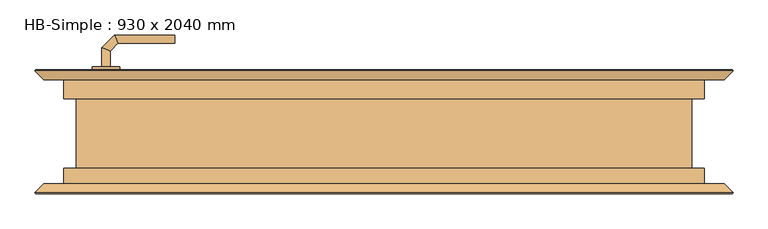
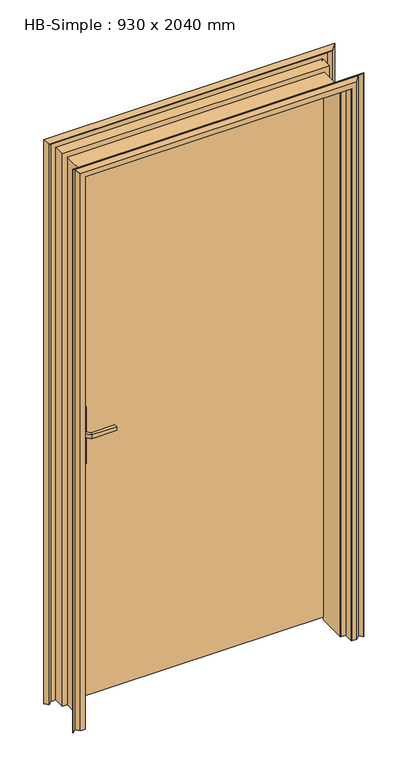
"""IFC4 building model written with IfcOpenShell, lengths in millimetres: door geometry, HB-Simple : 930 x 2040 mm."""

from ifc_helpers import new_model, si_unit, point, frame, frame_2d, origin, place, context, project, spatial, polyline, circle_curve, ellipse_curve, trimmed, segment, composite_curve, outline, extrude, faceted_brep, source, transform, mapped, element, save
from ifc_brep_helpers import plane_surface, cylinder_surface, advanced_brep


def hb_simple_930_x_2040_mm_c1d47870(model_context):
    return source(origin(), model_context, "Body", "SolidModel", [
        advanced_brep(
        [(-399.0, 45.0, 993.0), (-411.0, 45.0, 993.0), (-411.0, 45.0, 1007.0), (-399.0, 45.0, 1007.0), (-399.0, 22.5147955, 1007.0), (-399.0, 22.5147955, 993.0), (-411.0, 17.5442327, 1007.0), (-411.0, 17.5442327, 993.0), (-387.5147186, 11.0295141, 1007.0), (-387.5147186, 11.0295141, 993.0), (-392.4852814, -0.9704859, 1007.0), (-392.4852814, -0.9704859, 993.0), (-304.9542163, 11.0295141, 993.0), (-304.9542163, 11.0295141, 1007.0), (-304.9542163, -0.9704859, 1007.0), (-304.9542163, -0.9704859, 993.0)],
        [
            (0, 1, circle_curve(frame((-405.0, 45.0, 1013.0457722), z_axis=(0.0, 1.0, 0.0), x_axis=(-1.0, 0.0, 0.0)), 20.9244589)),
            (1, 2),
            (2, 3, circle_curve(frame((-405.0, 45.0, 986.9542278), z_axis=(0.0, 1.0, 0.0), x_axis=(-1.0, 0.0, 0.0)), 20.9244589)),
            (3, 0),
            (3, 4),
            (4, 5),
            (5, 0),
            (2, 6),
            (6, 4, ellipse_curve(frame((-405.0, 20.0295141, 986.9542278), z_axis=(-0.38268343236511726, 0.9238795325112753, 0.0), x_axis=(0.9238795325112752, 0.38268343236511776, 0.0)), 22.6484711, 20.9244589)),
            (1, 7),
            (7, 6),
            (5, 7, ellipse_curve(frame((-405.0, 20.0295141, 1013.0457722), z_axis=(-0.38268343236511726, 0.9238795325112753, 0.0), x_axis=(0.9238795325112752, 0.38268343236511776, 0.0)), 22.6484711, 20.9244589)),
            (4, 8),
            (8, 9),
            (9, 5),
            (6, 10),
            (10, 8, ellipse_curve(frame((-390.0, 5.0295141, 986.9542278), z_axis=(-0.9238795325112982, 0.38268343236506225, 0.0), x_axis=(0.3826834323650622, 0.9238795325112981, 0.0)), 22.6484711, 20.9244589)),
            (7, 11),
            (11, 10),
            (9, 11, ellipse_curve(frame((-390.0, 5.0295141, 1013.0457722), z_axis=(-0.9238795325112982, 0.38268343236506225, 0.0), x_axis=(0.3826834323650622, 0.9238795325112981, 0.0)), 22.6484711, 20.9244589)),
            (12, 13),
            (13, 14, circle_curve(frame((-304.9542163, 5.0295141, 986.9542278), z_axis=(1.0, 0.0, 0.0), x_axis=(0.0, -1.0, 0.0)), 20.9244589)),
            (14, 15),
            (15, 12, circle_curve(frame((-304.9542163, 5.0295141, 1013.0457722), z_axis=(1.0, 0.0, 0.0), x_axis=(0.0, -1.0, 0.0)), 20.9244589)),
            (8, 13),
            (12, 9),
            (10, 14),
            (11, 15),
        ],
        [
            plane_surface(frame((-414.2195445, 45.0, 1000.0), z_axis=(0.0, 1.0, 0.0), x_axis=(0.0, 0.0, 1.0))),
            plane_surface(frame((-399.0, 45.0, 993.0), z_axis=(1.0, 0.0, 0.0), x_axis=(0.0, -1.0, 0.0))),
            cylinder_surface(frame((-405.0, 45.0, 986.9542278), z_axis=(0.0, 1.0, 0.0), x_axis=(-1.0, 0.0, 0.0)), 20.9244589),
            plane_surface(frame((-411.0, 45.0, 1007.0), z_axis=(-1.0, 0.0, 0.0), x_axis=(0.0, -1.0, 0.0))),
            cylinder_surface(frame((-405.0, 45.0, 1013.0457722), z_axis=(0.0, 1.0, 0.0), x_axis=(-1.0, 0.0, 0.0)), 20.9244589),
            plane_surface(frame((-399.0, 22.5147955, 993.0), z_axis=(0.7071067811865118, 0.7071067811865832, 0.0), x_axis=(0.7071067811865832, -0.7071067811865118, 0.0))),
            cylinder_surface(frame((-405.0, 20.0295141, 986.9542278), z_axis=(-0.7071067811865832, 0.7071067811865118, 0.0), x_axis=(-0.7071067811865118, -0.7071067811865832, 0.0)), 20.9244589),
            plane_surface(frame((-411.0, 17.5442327, 1007.0), z_axis=(-0.7071067811865119, -0.7071067811865831, 0.0), x_axis=(0.7071067811865831, -0.7071067811865119, 0.0))),
            cylinder_surface(frame((-405.0, 20.0295141, 1013.0457722), z_axis=(-0.7071067811865832, 0.7071067811865118, 0.0), x_axis=(-0.7071067811865118, -0.7071067811865832, 0.0)), 20.9244589),
            plane_surface(frame((-304.9542163, 5.0295141, 990.7804555), z_axis=(1.0, 0.0, 0.0), x_axis=(0.0, -1.0, 0.0))),
            plane_surface(frame((-387.5147186, 11.0295141, 993.0), z_axis=(0.0, 1.0, 0.0), x_axis=(1.0, 0.0, 0.0))),
            cylinder_surface(frame((-390.0, 5.0295141, 986.9542278), z_axis=(-1.0, 0.0, 0.0), x_axis=(0.0, -1.0, 0.0)), 20.9244589),
            plane_surface(frame((-392.4852814, -0.9704859, 1007.0), z_axis=(0.0, -1.0, 0.0), x_axis=(1.0, 0.0, 0.0))),
            cylinder_surface(frame((-390.0, 5.0295141, 1013.0457722), z_axis=(-1.0, 0.0, 0.0), x_axis=(0.0, -1.0, 0.0)), 20.9244589),
        ],
        [
            (0, [[1, 2, 3, 4]]),
            (1, [[5, 6, 7, -4]]),
            (2, [[8, 9, -5, -3]]),
            (3, [[10, 11, -8, -2]]),
            (4, [[-7, 12, -10, -1]]),
            (5, [[13, 14, 15, -6]]),
            (6, [[16, 17, -13, -9]]),
            (7, [[18, 19, -16, -11]]),
            (8, [[-15, 20, -18, -12]]),
            (9, [[21, 22, 23, 24]]),
            (10, [[25, -21, 26, -14]]),
            (11, [[27, -22, -25, -17]]),
            (12, [[28, -23, -27, -19]]),
            (13, [[-26, -24, -28, -20]]),
        ],
    ),
        advanced_brep(
        [(-411.0, 95.0, 1007.0), (-411.0, 95.0, 993.0), (-399.0, 95.0, 993.0), (-399.0, 95.0, 1007.0), (-399.0, 117.680388, 1007.0), (-411.0, 122.6509507, 1007.0), (-399.0, 117.680388, 993.0), (-411.0, 122.6509507, 993.0), (-387.6522273, 129.0281607, 1007.0), (-392.62279, 141.0281607, 1007.0), (-387.6522273, 129.0281607, 993.0), (-392.62279, 141.0281607, 993.0), (-304.9813594, 141.0281607, 1007.0), (-304.9813594, 129.0281607, 1007.0), (-304.9813594, 129.0281607, 993.0), (-304.9813594, 141.0281607, 993.0)],
        [
            (0, 1),
            (1, 2, circle_curve(frame((-405.0, 95.0, 1013.0457722), z_axis=(0.0, -1.0, 0.0), x_axis=(1.0, 0.0, 0.0)), 20.9244589)),
            (2, 3),
            (3, 0, circle_curve(frame((-405.0, 95.0, 986.9542278), z_axis=(0.0, -1.0, 0.0), x_axis=(1.0, 0.0, 0.0)), 20.9244589)),
            (3, 4),
            (4, 5, ellipse_curve(frame((-405.0, 120.1656693, 986.9542278), z_axis=(-0.3826834323651007, -0.9238795325112821, 0.0), x_axis=(0.9238795325112822, -0.3826834323651012, 0.0)), 22.6484711, 20.9244589)),
            (5, 0),
            (2, 6),
            (6, 4),
            (1, 7),
            (7, 6, ellipse_curve(frame((-405.0, 120.1656693, 1013.0457722), z_axis=(-0.3826834323651007, -0.9238795325112821, 0.0), x_axis=(0.9238795325112822, -0.3826834323651012, 0.0)), 22.6484711, 20.9244589)),
            (5, 7),
            (4, 8),
            (8, 9, ellipse_curve(frame((-390.1375086, 135.0281607, 986.9542278), z_axis=(-0.9238795325112914, -0.3826834323650786, 0.0), x_axis=(0.38268343236507874, -0.9238795325112914, 0.0)), 22.6484711, 20.9244589)),
            (9, 5),
            (6, 10),
            (10, 8),
            (7, 11),
            (11, 10, ellipse_curve(frame((-390.1375086, 135.0281607, 1013.0457722), z_axis=(-0.9238795325112914, -0.3826834323650786, 0.0), x_axis=(0.38268343236507874, -0.9238795325112914, 0.0)), 22.6484711, 20.9244589)),
            (9, 11),
            (12, 13, circle_curve(frame((-304.9813594, 135.0281607, 986.9542278), z_axis=(1.0, 0.0, 0.0), x_axis=(0.0, -1.0, 0.0)), 20.9244589)),
            (13, 14),
            (14, 15, circle_curve(frame((-304.9813594, 135.0281607, 1013.0457722), z_axis=(1.0, 0.0, 0.0), x_axis=(0.0, -1.0, 0.0)), 20.9244589)),
            (15, 12),
            (8, 13),
            (12, 9),
            (10, 14),
            (11, 15),
        ],
        [
            plane_surface(frame((-414.2195445, 95.0, 1000.0), z_axis=(0.0, -1.0, 0.0), x_axis=(0.0, 0.0, -1.0))),
            cylinder_surface(frame((-405.0, 95.0, 986.9542278), z_axis=(0.0, -1.0, 0.0), x_axis=(1.0, 0.0, 0.0)), 20.9244589),
            plane_surface(frame((-399.0, 95.0, 1007.0), z_axis=(1.0, 0.0, 0.0), x_axis=(0.0, 1.0, 0.0))),
            cylinder_surface(frame((-405.0, 95.0, 1013.0457722), z_axis=(0.0, -1.0, 0.0), x_axis=(1.0, 0.0, 0.0)), 20.9244589),
            plane_surface(frame((-411.0, 95.0, 993.0), z_axis=(-1.0, 0.0, 0.0), x_axis=(0.0, 1.0, 0.0))),
            cylinder_surface(frame((-405.0, 120.1656693, 986.9542278), z_axis=(-0.7071067811865708, -0.7071067811865241, 0.0), x_axis=(0.7071067811865241, -0.7071067811865708, 0.0)), 20.9244589),
            plane_surface(frame((-399.0, 117.680388, 1007.0), z_axis=(0.7071067811865241, -0.7071067811865709, 0.0), x_axis=(0.7071067811865709, 0.7071067811865241, 0.0))),
            cylinder_surface(frame((-405.0, 120.1656693, 1013.0457722), z_axis=(-0.7071067811865708, -0.7071067811865241, 0.0), x_axis=(0.7071067811865241, -0.7071067811865708, 0.0)), 20.9244589),
            plane_surface(frame((-411.0, 122.6509507, 993.0), z_axis=(-0.7071067811865241, 0.7071067811865709, 0.0), x_axis=(0.7071067811865709, 0.7071067811865241, 0.0))),
            plane_surface(frame((-304.9813594, 135.0281607, 990.7804555), z_axis=(1.0, 0.0, 0.0), x_axis=(0.0, -1.0, 0.0))),
            cylinder_surface(frame((-390.1375086, 135.0281607, 986.9542278), z_axis=(-1.0, 0.0, 0.0), x_axis=(0.0, -1.0, 0.0)), 20.9244589),
            plane_surface(frame((-387.6522273, 129.0281607, 1007.0), z_axis=(0.0, -1.0, 0.0), x_axis=(1.0, 0.0, 0.0))),
            cylinder_surface(frame((-390.1375086, 135.0281607, 1013.0457722), z_axis=(-1.0, 0.0, 0.0), x_axis=(0.0, -1.0, 0.0)), 20.9244589),
            plane_surface(frame((-392.62279, 141.0281607, 993.0), z_axis=(0.0, 1.0, 0.0), x_axis=(1.0, 0.0, 0.0))),
        ],
        [
            (0, [[1, 2, 3, 4]]),
            (1, [[5, 6, 7, -4]]),
            (2, [[8, 9, -5, -3]]),
            (3, [[10, 11, -8, -2]]),
            (4, [[-7, 12, -10, -1]]),
            (5, [[13, 14, 15, -6]]),
            (6, [[16, 17, -13, -9]]),
            (7, [[18, 19, -16, -11]]),
            (8, [[-15, 20, -18, -12]]),
            (9, [[21, 22, 23, 24]]),
            (10, [[25, -21, 26, -14]]),
            (11, [[27, -22, -25, -17]]),
            (12, [[28, -23, -27, -19]]),
            (13, [[-26, -24, -28, -20]]),
        ],
    ),
        extrude(outline(composite_curve([segment(trimmed(circle_curve(frame_2d((1045.3589838, -405.0)), 40.0), [point((1080.0, -385.0))], [point((1080.0, -425.0))], False, "CARTESIAN"), True, "CONTINUOUS"), segment(polyline([(1080.0, -425.0), (870.0, -425.0)]), True, "CONTINUOUS"), segment(trimmed(circle_curve(frame_2d((904.6410162, -405.0)), 40.0), [point((870.0, -425.0))], [point((870.0, -385.0))], False, "CARTESIAN"), True, "CONTINUOUS"), segment(polyline([(870.0, -385.0), (1080.0, -385.0)]), True, "CONTINUOUS")], self_intersect=False)), frame((0.0, 45.0, 0.0), z_axis=(0.0, 1.0, 0.0), x_axis=(0.0, 0.0, 1.0)), (0.0, 0.0, 1.0), 5.0),
        extrude(outline(composite_curve([segment(trimmed(circle_curve(frame_2d((904.6410162, -405.0)), 40.0), [point((870.0, -425.0))], [point((870.0, -385.0))], False, "CARTESIAN"), True, "CONTINUOUS"), segment(polyline([(870.0, -385.0), (1080.0, -385.0)]), True, "CONTINUOUS"), segment(trimmed(circle_curve(frame_2d((1045.3589838, -405.0)), 40.0), [point((1080.0, -385.0))], [point((1080.0, -425.0))], False, "CARTESIAN"), True, "CONTINUOUS"), segment(polyline([(1080.0, -425.0), (870.0, -425.0)]), True, "CONTINUOUS")], self_intersect=False)), frame((0.0, 90.0, 0.0), z_axis=(0.0, 1.0, 0.0), x_axis=(0.0, 0.0, 1.0)), (0.0, 0.0, 1.0), 5.0),
        extrude(outline(polyline([(-465.0, 50.0), (-465.0, 90.0), (465.0, 90.0), (465.0, 50.0), (-465.0, 50.0)])), frame((0.0, 0.0, 10.0), z_axis=(0.0, 0.0, 1.0), x_axis=(1.0, 0.0, 0.0)), (0.0, 0.0, 1.0), 2030.0),
        faceted_brep([(483.5, 90.0, 0.0), (495.5, 78.0, 0.0), (507.5, 90.0, 0.0), (508.5, 89.0, 0.0), (495.5, 76.0, 0.0), (483.5, 88.0, 0.0), (466.5, 88.0, 0.0), (466.5, 48.0, 0.0), (448.5, 48.0, 0.0), (448.5, -53.0, 0.0), (466.5, -53.0, 0.0), (466.5, -88.0, 0.0), (483.5, -88.0, 0.0), (495.5, -76.0, 0.0), (508.5, -89.0, 0.0), (507.5, -90.0, 0.0), (495.5, -78.0, 0.0), (483.5, -90.0, 0.0), (465.5794979, -90.0, 0.0), (465.0, -88.9205021, 0.0), (465.0, -55.0, 0.0), (447.4545286, -55.0, 0.0), (446.5, -54.0454714, 0.0), (446.5, 48.9813626, 0.0), (447.5186374, 50.0, 0.0), (465.0, 50.0, 0.0), (465.0, 88.9798135, 0.0), (465.5201865, 90.0, 0.0), (465.5201865, 90.0, 2040.5201865), (-465.5201865, 90.0, 2040.5201865), (-465.5201865, 90.0, 0.0), (-483.5, 90.0, 0.0), (-483.5, 90.0, 2058.5), (483.5, 90.0, 2058.5), (465.0, 88.9798135, 2040.0), (465.0, 50.0, 2040.0), (447.5186374, 50.0, 2022.5186374), (-447.5186374, 50.0, 2022.5186374), (-447.5186374, 50.0, 0.0), (-465.0, 50.0, 0.0), (-465.0, 50.0, 2040.0), (446.5, 48.9813626, 2021.5), (446.5, -54.0454714, 2021.5), (447.4545286, -55.0, 2022.4545286), (465.0, -55.0, 2040.0), (-465.0, -55.0, 2040.0), (-465.0, -55.0, 0.0), (-447.4545286, -55.0, 0.0), (-447.4545286, -55.0, 2022.4545286), (465.0, -88.9205021, 2040.0), (465.5794979, -90.0, 2040.5794979), (483.5, -90.0, 2058.5), (-483.5, -90.0, 2058.5), (-483.5, -90.0, 0.0), (-465.5794979, -90.0, 0.0), (-465.5794979, -90.0, 2040.5794979), (495.5, -78.0, 2070.5), (507.5, -90.0, 2082.5), (508.5, -89.0, 2083.5), (495.5, -76.0, 2070.5), (483.5, -88.0, 2058.5), (466.5, -88.0, 2041.5), (-466.5, -88.0, 2041.5), (-466.5, -88.0, 0.0), (-483.5, -88.0, 0.0), (-483.5, -88.0, 2058.5), (466.5, -53.0, 2041.5), (448.5, -53.0, 2023.5), (-448.5, -53.0, 2023.5), (-448.5, -53.0, 0.0), (-466.5, -53.0, 0.0), (-466.5, -53.0, 2041.5), (448.5, 48.0, 2023.5), (466.5, 48.0, 2041.5), (-466.5, 48.0, 2041.5), (-466.5, 48.0, 0.0), (-448.5, 48.0, 0.0), (-448.5, 48.0, 2023.5), (466.5, 88.0, 2041.5), (483.5, 88.0, 2058.5), (-483.5, 88.0, 2058.5), (-483.5, 88.0, 0.0), (-466.5, 88.0, 0.0), (-466.5, 88.0, 2041.5), (495.5, 76.0, 2070.5), (508.5, 89.0, 2083.5), (507.5, 90.0, 2082.5), (495.5, 78.0, 2070.5), (-465.0, 88.9798135, 0.0), (-446.5, 48.9813626, 0.0), (-446.5, -54.0454714, 0.0), (-465.0, -88.9205021, 0.0), (-495.5, -78.0, 0.0), (-507.5, -90.0, 0.0), (-508.5, -89.0, 0.0), (-495.5, -76.0, 0.0), (-495.5, 76.0, 0.0), (-508.5, 89.0, 0.0), (-507.5, 90.0, 0.0), (-495.5, 78.0, 0.0), (-495.5, 78.0, 2070.5), (-507.5, 90.0, 2082.5), (-508.5, 89.0, 2083.5), (-495.5, 76.0, 2070.5), (-495.5, -76.0, 2070.5), (-508.5, -89.0, 2083.5), (-507.5, -90.0, 2082.5), (-495.5, -78.0, 2070.5), (-465.0, -88.9205021, 2040.0), (-446.5, -54.0454714, 2021.5), (-446.5, 48.9813626, 2021.5), (-465.0, 88.9798135, 2040.0)], [[[0, 1, 2, 3, 4, 5, 6, 7, 8, 9, 10, 11, 12, 13, 14, 15, 16, 17, 18, 19, 20, 21, 22, 23, 24, 25, 26, 27]], [[27, 28, 29, 30, 31, 32, 33, 0]], [[26, 34, 28, 27]], [[25, 35, 34, 26]], [[24, 36, 37, 38, 39, 40, 35, 25]], [[23, 41, 36, 24]], [[22, 42, 41, 23]], [[21, 43, 42, 22]], [[20, 44, 45, 46, 47, 48, 43, 21]], [[19, 49, 44, 20]], [[18, 50, 49, 19]], [[17, 51, 52, 53, 54, 55, 50, 18]], [[16, 56, 51, 17]], [[15, 57, 56, 16]], [[14, 58, 57, 15]], [[13, 59, 58, 14]], [[12, 60, 59, 13]], [[11, 61, 62, 63, 64, 65, 60, 12]], [[10, 66, 61, 11]], [[9, 67, 68, 69, 70, 71, 66, 10]], [[8, 72, 67, 9]], [[7, 73, 74, 75, 76, 77, 72, 8]], [[6, 78, 73, 7]], [[5, 79, 80, 81, 82, 83, 78, 6]], [[4, 84, 79, 5]], [[3, 85, 84, 4]], [[2, 86, 85, 3]], [[1, 87, 86, 2]], [[0, 33, 87, 1]], [[31, 30, 88, 39, 38, 89, 90, 47, 46, 91, 54, 53, 92, 93, 94, 95, 64, 63, 70, 69, 76, 75, 82, 81, 96, 97, 98, 99]], [[32, 31, 99, 100]], [[100, 99, 98, 101]], [[101, 98, 97, 102]], [[102, 97, 96, 103]], [[103, 96, 81, 80]], [[83, 82, 75, 74]], [[77, 76, 69, 68]], [[71, 70, 63, 62]], [[65, 64, 95, 104]], [[104, 95, 94, 105]], [[105, 94, 93, 106]], [[106, 93, 92, 107]], [[107, 92, 53, 52]], [[55, 54, 91, 108]], [[108, 91, 46, 45]], [[48, 47, 90, 109]], [[109, 90, 89, 110]], [[110, 89, 38, 37]], [[40, 39, 88, 111]], [[111, 88, 30, 29]], [[35, 40, 111, 34]], [[42, 109, 110, 41]], [[49, 108, 45, 44]], [[66, 71, 62, 61]], [[72, 77, 68, 67]], [[78, 83, 74, 73]], [[34, 111, 29, 28]], [[41, 110, 37, 36]], [[43, 48, 109, 42]], [[50, 55, 108, 49]], [[56, 107, 52, 51]], [[57, 106, 107, 56]], [[58, 105, 106, 57]], [[59, 104, 105, 58]], [[60, 65, 104, 59]], [[84, 103, 80, 79]], [[85, 102, 103, 84]], [[86, 101, 102, 85]], [[87, 100, 101, 86]], [[33, 32, 100, 87]]]),
    ])


if __name__ == "__main__":
    model = new_model("IFC4")
    model_context = context("Model", 3, world=origin())
    ifc_project = project(units=[si_unit("LENGTHUNIT", "METRE", prefix="MILLI")], contexts=[model_context])
    site = spatial("IfcSite", under=ifc_project)
    building = spatial("IfcBuilding", under=site)
    placement = place(None, origin())
    hb_simple_930_x_2040_mm_shape = hb_simple_930_x_2040_mm_c1d47870(model_context)
    element("IfcDoor", 1, ObjectType="HB-Simple : 930 x 2040 mm", at=placement, inside=building, context=model_context, shape_type="MappedRepresentation", body=[
        mapped(hb_simple_930_x_2040_mm_shape, transform((0.0, 0.0, 0.0), x_axis=(1.0, 0.0, 0.0), y_axis=(0.0, 1.0, 0.0), z_axis=(0.0, 0.0, 1.0))),
    ])
    save(model, "model.ifc")
